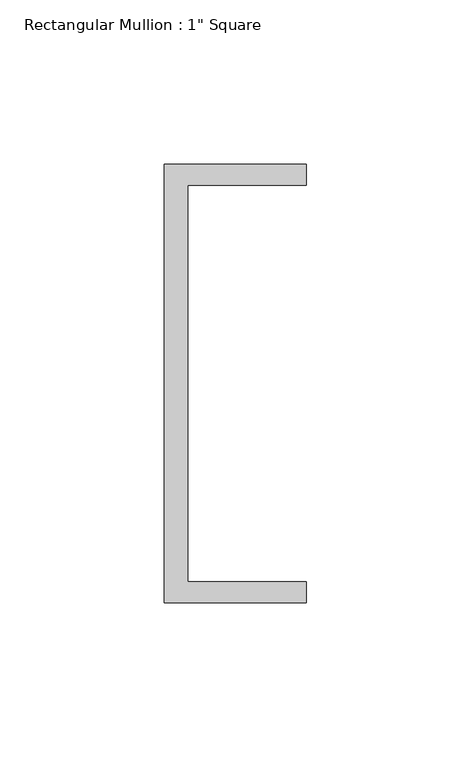
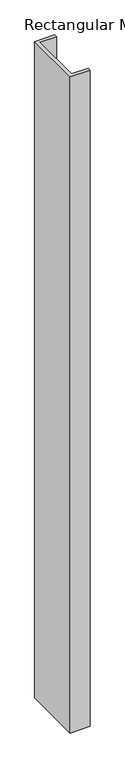
"""IFC4 building model written with IfcOpenShell, lengths in millimetres: member geometry."""

from ifc_helpers import new_model, si_unit, frame, origin, place, context, project, spatial, polyline, outline, extrude, source, transform, mapped, element, save


def member_f68e294c(model_context):
    return source(origin(), model_context, "Body", "SweptSolid", [
        extrude(outline(polyline([(-18.6549463, 135.2608739), (24.5675083, 135.2608739), (24.5675083, 128.9108739), (-11.6110886, 128.9108739), (-11.6110886, 8.2608739), (24.5675083, 8.2608739), (24.5675083, 1.9108739), (-18.6549463, 1.9108739), (-18.6549463, 135.2608739)])), frame((0.0, 0.0, -1506.2631068), z_axis=(0.0, 0.0, 1.0), x_axis=(1.0, 0.0, 0.0)), (0.0, 0.0, 1.0), 1506.2631068),
    ])


if __name__ == "__main__":
    model = new_model("IFC4")
    model_context = context("Model", 3, world=origin())
    ifc_project = project(units=[si_unit("LENGTHUNIT", "METRE", prefix="MILLI")], contexts=[model_context])
    site = spatial("IfcSite", under=ifc_project)
    building = spatial("IfcBuilding", under=site)
    placement = place(None, origin())
    member_shape = member_f68e294c(model_context)
    element("IfcMember", 1, ObjectType="Rectangular Mullion : 1\" Square", at=placement, inside=building, context=model_context, shape_type="MappedRepresentation", body=[
        mapped(member_shape, transform((0.0, 0.0, 0.0), x_axis=(1.0, 0.0, 0.0), y_axis=(0.0, 1.0, 0.0), z_axis=(0.0, 0.0, 1.0))),
    ])
    save(model, "model.ifc")
